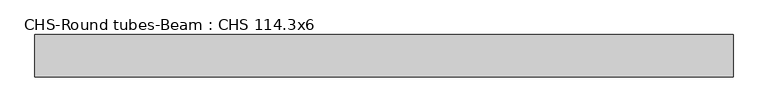
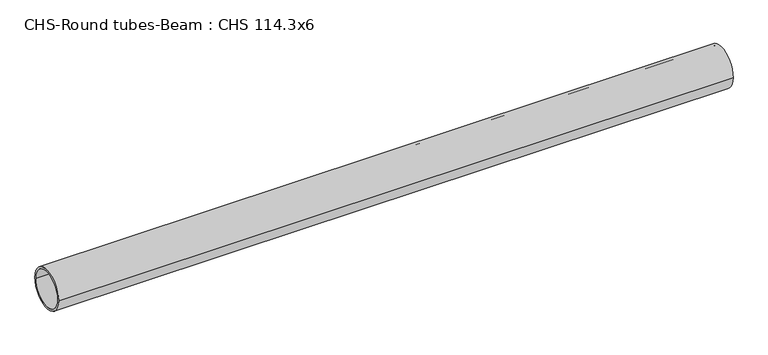
"""IFC4 building model written with IfcOpenShell, lengths in millimetres: beam geometry, CHS-Round tubes-Beam : CHS 114.3x6."""

from ifc_helpers import new_model, si_unit, point, frame, origin, origin_2d, place, context, project, spatial, circle_curve, trimmed, segment, composite_curve, outline, extrude, source, transform, mapped, element, save


def chs_round_tubes_beam_chs_114_3x6_d6f18ef5(model_context):
    return source(origin(), model_context, "Body", "SweptSolid", [
        extrude(outline(composite_curve([segment(trimmed(circle_curve(origin_2d(), 57.15), [point((57.15, 0.0))], [point((-57.15, 0.0))], False, "CARTESIAN"), True, "CONTINUOUS"), segment(trimmed(circle_curve(origin_2d(), 57.15), [point((-57.15, 0.0))], [point((57.15, 0.0))], False, "CARTESIAN"), True, "CONTINUOUS")], self_intersect=False), holes=[composite_curve([segment(trimmed(circle_curve(origin_2d(), 51.15), [point((51.15, 0.0))], [point((-51.15, 0.0))], True, "CARTESIAN"), True, "CONTINUOUS"), segment(trimmed(circle_curve(origin_2d(), 51.15), [point((-51.15, 0.0))], [point((51.15, 0.0))], True, "CARTESIAN"), True, "CONTINUOUS")], self_intersect=False)]), frame((-947.0793925, 0.0, 0.0), z_axis=(1.0, 0.0, 0.0), x_axis=(0.0, 1.0, 0.0)), (0.0, 0.0, 1.0), 1886.7444434),
    ])


if __name__ == "__main__":
    model = new_model("IFC4")
    model_context = context("Model", 3, world=origin())
    ifc_project = project(units=[si_unit("LENGTHUNIT", "METRE", prefix="MILLI")], contexts=[model_context])
    site = spatial("IfcSite", under=ifc_project)
    building = spatial("IfcBuilding", under=site)
    placement = place(None, origin())
    chs_round_tubes_beam_chs_114_3x6_shape = chs_round_tubes_beam_chs_114_3x6_d6f18ef5(model_context)
    element("IfcBeam", 1, ObjectType="CHS-Round tubes-Beam : CHS 114.3x6", at=placement, inside=building, context=model_context, shape_type="MappedRepresentation", body=[
        mapped(chs_round_tubes_beam_chs_114_3x6_shape, transform((0.0, 0.0, 0.0), x_axis=(1.0, 0.0, 0.0), y_axis=(0.0, 1.0, 0.0), z_axis=(0.0, 0.0, 1.0))),
    ])
    save(model, "model.ifc")
